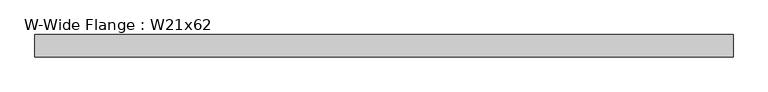
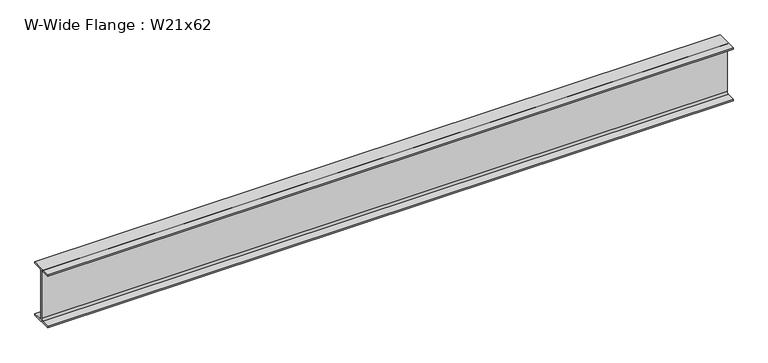
"""IFC4 building model written with IfcOpenShell, lengths in millimetres: beam geometry, W-Wide Flange : W21x62."""

from ifc_helpers import new_model, si_unit, point, frame, frame_2d, origin, place, context, project, spatial, polyline, circle_curve, trimmed, segment, composite_curve, outline, extrude, source, transform, mapped, element, save


def w_wide_flange_w21x62_acb442c4(model_context):
    return source(origin(), model_context, "Body", "SweptSolid", [
        extrude(outline(composite_curve([segment(polyline([(104.648, -251.079), (104.648, -266.7), (-104.648, -266.7), (-104.648, -251.079), (-22.7965, -251.079)]), True, "CONTINUOUS"), segment(trimmed(circle_curve(frame_2d((-22.7965, -233.3625)), 17.7165), [point((-22.7965, -251.079))], [point((-5.08, -233.3625))], True, "CARTESIAN"), True, "CONTINUOUS"), segment(polyline([(-5.08, -233.3625), (-5.08, 233.3625)]), True, "CONTINUOUS"), segment(trimmed(circle_curve(frame_2d((-22.7965, 233.3625)), 17.7165), [point((-5.08, 233.3625))], [point((-22.7965, 251.079))], True, "CARTESIAN"), True, "CONTINUOUS"), segment(polyline([(-22.7965, 251.079), (-104.648, 251.079), (-104.648, 266.7), (104.648, 266.7), (104.648, 251.079), (22.7965, 251.079)]), True, "CONTINUOUS"), segment(trimmed(circle_curve(frame_2d((22.7965, 233.3625)), 17.7165), [point((22.7965, 251.079))], [point((5.08, 233.3625))], True, "CARTESIAN"), True, "CONTINUOUS"), segment(polyline([(5.08, 233.3625), (5.08, -233.3625)]), True, "CONTINUOUS"), segment(trimmed(circle_curve(frame_2d((22.7965, -233.3625)), 17.7165), [point((5.08, -233.3625))], [point((22.7965, -251.079))], True, "CARTESIAN"), True, "CONTINUOUS"), segment(polyline([(22.7965, -251.079), (104.648, -251.079)]), True, "CONTINUOUS")], self_intersect=False)), frame((-3241.5268589, 0.0, 0.0), z_axis=(1.0, 0.0, 0.0), x_axis=(0.0, 1.0, 0.0)), (0.0, 0.0, 1.0), 6501.5902285),
    ])


if __name__ == "__main__":
    model = new_model("IFC4")
    model_context = context("Model", 3, world=origin())
    ifc_project = project(units=[si_unit("LENGTHUNIT", "METRE", prefix="MILLI")], contexts=[model_context])
    site = spatial("IfcSite", under=ifc_project)
    building = spatial("IfcBuilding", under=site)
    placement = place(None, origin())
    w_wide_flange_w21x62_shape = w_wide_flange_w21x62_acb442c4(model_context)
    element("IfcBeam", 1, ObjectType="W-Wide Flange : W21x62", at=placement, inside=building, context=model_context, shape_type="MappedRepresentation", body=[
        mapped(w_wide_flange_w21x62_shape, transform((0.0, 0.0, 0.0), x_axis=(1.0, 0.0, 0.0), y_axis=(0.0, 1.0, 0.0), z_axis=(0.0, 0.0, 1.0))),
    ])
    save(model, "model.ifc")
